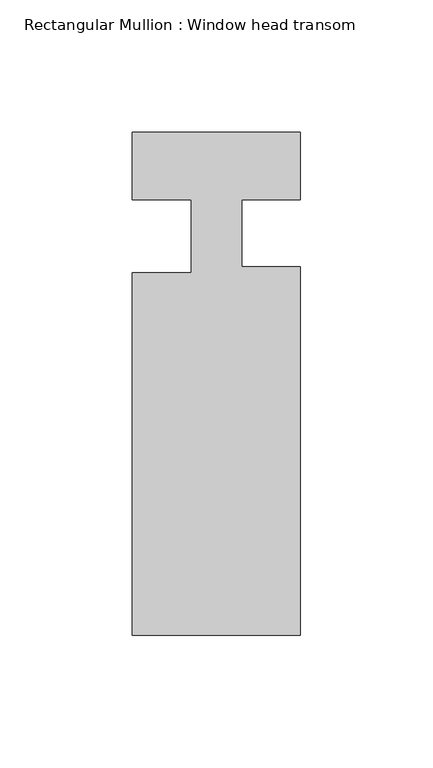
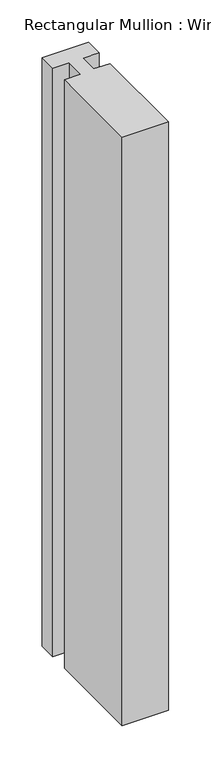
"""IFC4 building model written with IfcOpenShell, lengths in millimetres: member geometry, Rectangular Mullion : Window head transom."""

from ifc_helpers import new_model, si_unit, point, frame, frame_2d, origin, place, context, project, spatial, polyline, circle_curve, trimmed, segment, composite_curve, outline, extrude, source, transform, mapped, element, save


def rectangular_mullion_window_head_transom_86d6a90e(model_context):
    return source(origin(), model_context, "Body", "SweptSolid", [
        extrude(outline(composite_curve([segment(polyline([(31.765875, -25.3999117), (31.765875, -164.592), (-31.75, -164.592), (-31.75, -27.686), (-9.509125, -27.686), (-9.509125, 0.0107198), (-31.734125, 0.0107198), (-31.734125, 25.4), (31.765875, 25.4), (31.765875, 0.0108682)]), True, "CONTINUOUS"), segment(trimmed(circle_curve(frame_2d((27.4651232, -461.0078197)), 461.0387479), [point((31.765875, 0.0108682))], [point((9.540875, -0.3176327))], True, "CARTESIAN"), True, "CONTINUOUS"), segment(polyline([(9.540875, -0.3176327), (9.540875, -25.3999117), (31.765875, -25.3999117)]), True, "CONTINUOUS")], self_intersect=False)), frame((0.0, 0.0, -850.9), z_axis=(0.0, 0.0, 1.0), x_axis=(1.0, 0.0, 0.0)), (0.0, 0.0, 1.0), 850.9),
    ])


if __name__ == "__main__":
    model = new_model("IFC4")
    model_context = context("Model", 3, world=origin())
    ifc_project = project(units=[si_unit("LENGTHUNIT", "METRE", prefix="MILLI")], contexts=[model_context])
    site = spatial("IfcSite", under=ifc_project)
    building = spatial("IfcBuilding", under=site)
    placement = place(None, origin())
    rectangular_mullion_window_head_transom_shape = rectangular_mullion_window_head_transom_86d6a90e(model_context)
    element("IfcMember", 1, ObjectType="Rectangular Mullion : Window head transom", at=placement, inside=building, context=model_context, shape_type="MappedRepresentation", body=[
        mapped(rectangular_mullion_window_head_transom_shape, transform((0.0, 0.0, 0.0), x_axis=(1.0, 0.0, 0.0), y_axis=(0.0, 1.0, 0.0), z_axis=(0.0, 0.0, 1.0))),
    ])
    save(model, "model.ifc")
